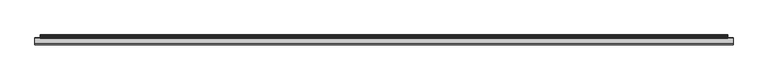
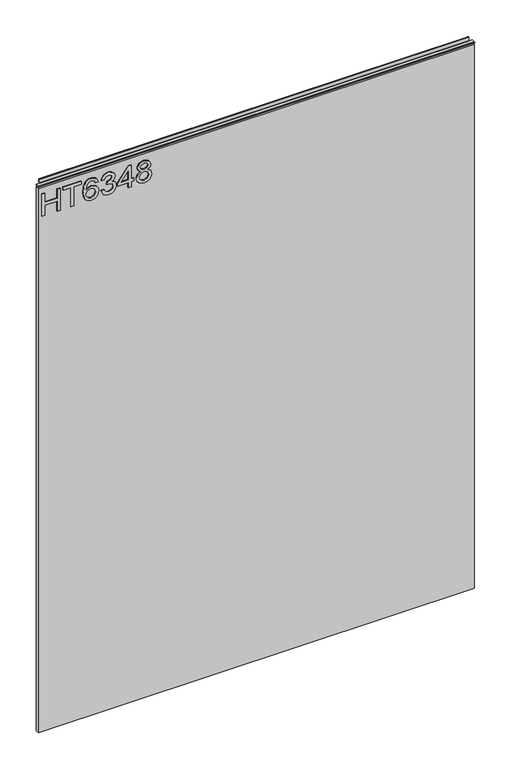
"""IFC4 building model written with IfcOpenShell, lengths in millimetres: furniture geometry."""

from ifc_helpers import new_model, si_unit, frame, origin, place, context, project, spatial, polyline, outline, extrude, source, transform, mapped, element, save


def furniture_e7bfc7d1(model_context):
    return source(origin(), model_context, "Body", "SweptSolid", [
        extrude(outline(polyline([(1611.8078, -288.5795281), (1611.8078, -280.6058085), (1641.7092486, -280.6058085), (1641.7092486, -246.7175001), (1611.8078, -246.7175001), (1611.8078, -238.7437805), (1675.5975569, -238.7437805), (1675.5975569, -246.7175001), (1649.6829682, -246.7175001), (1649.6829682, -280.6058085), (1675.5975569, -280.6058085), (1675.5975569, -288.5795281), (1611.8078, -288.5795281)])), frame((0.0, -5.6037602, 0.0), z_axis=(0.0, 1.0, 0.0), x_axis=(0.0, 0.0, 1.0)), (0.0, 0.0, 1.0), 2.38125),
        extrude(outline(polyline([(1611.8078, -208.8423319), (1611.8078, -200.8686123), (1667.6238373, -200.8686123), (1667.6238373, -179.9375983), (1675.5975569, -179.9375983), (1675.5975569, -229.7733459), (1667.6238373, -229.7733459), (1667.6238373, -208.8423319), (1611.8078, -208.8423319)])), frame((0.0, -5.6037602, 0.0), z_axis=(0.0, 1.0, 0.0), x_axis=(0.0, 0.0, 1.0)), (0.0, 0.0, 1.0), 2.38125),
        extrude(outline(polyline([(1658.6534028, -133.0919955), (1671.096766, -138.9788432), (1675.5975569, -151.5779432), (1673.7793308, -160.8325972), (1668.3246525, -167.9770189), (1657.4659103, -173.2097724), (1641.5846592, -174.9540235), (1627.4593395, -173.3830295), (1617.9749738, -168.6700472), (1612.6020572, -161.4652776), (1610.811085, -152.4189214), (1613.513117, -141.9689881), (1621.2999526, -134.727231), (1632.3027512, -132.0952806), (1640.4750351, -133.4930176), (1646.9887231, -137.6862285), (1652.673113, -151.2353224), (1650.5940279, -159.9487914), (1644.2321833, -166.9803039), (1658.4431582, -164.7143348), (1665.6927021, -159.2713367), (1667.6238373, -152.0763006), (1664.3066454, -144.0870074), (1657.6566878, -141.0657152), (1658.6534028, -133.0919955)]), holes=[polyline([(1632.4273406, -166.9803039), (1641.31212, -163.0168046), (1644.6993934, -153.3689154), (1641.31212, -143.5964367), (1632.0379988, -140.0690002), (1622.3511754, -143.6431577), (1618.7848047, -153.0418683), (1620.5056953, -160.2291175), (1625.5204174, -165.1348239), (1632.4273406, -166.9803039)])]), frame((0.0, -5.6037602, 0.0), z_axis=(0.0, 1.0, 0.0), x_axis=(0.0, 0.0, 1.0)), (0.0, 0.0, 1.0), 2.38125),
        extrude(outline(polyline([(1628.7519542, -125.1182759), (1615.8102335, -118.7797918), (1610.811085, -104.7946351), (1612.2750101, -96.2719436), (1616.6667854, -89.361127), (1623.1610063, -84.7824677), (1630.9322681, -83.2562479), (1641.3043331, -86.3086875), (1646.755118, -94.998796), (1652.0345925, -88.4578541), (1659.3853653, -86.2463928), (1667.4291664, -88.5746566), (1673.4094562, -95.3024825), (1675.5975569, -104.9192245), (1671.1590607, -117.5961928), (1658.6534028, -124.121561), (1657.6566878, -116.1478414), (1665.1320499, -112.2388499), (1667.6238373, -104.6388984), (1665.1554105, -97.1323889), (1658.9181552, -94.2201124), (1651.8788558, -98.2381196), (1649.6829682, -108.5634635), (1641.7092486, -109.4511628), (1642.5813742, -103.8602148), (1639.31869, -94.7963382), (1631.0724312, -91.2299675), (1622.320028, -94.8274856), (1618.7848047, -104.514309), (1621.3544604, -112.7449942), (1629.7486691, -117.1445563), (1628.7519542, -125.1182759)])), frame((0.0, -5.6037602, 0.0), z_axis=(0.0, 1.0, 0.0), x_axis=(0.0, 0.0, 1.0)), (0.0, 0.0, 1.0), 2.38125),
        extrude(outline(polyline([(1611.8078, -50.3646545), (1611.8078, -42.3909349), (1626.7585243, -42.3909349), (1626.7585243, -34.4172153), (1634.7322439, -34.4172153), (1634.7322439, -42.3909349), (1674.600842, -42.3909349), (1674.600842, -48.3712246), (1634.7322439, -79.2693881), (1626.7585243, -79.2693881), (1626.7585243, -50.3646545), (1611.8078, -50.3646545)]), holes=[polyline([(1634.7322439, -50.3646545), (1634.7322439, -69.4579753), (1659.3697916, -50.3646545), (1634.7322439, -50.3646545)])]), frame((0.0, -5.6037602, 0.0), z_axis=(0.0, 1.0, 0.0), x_axis=(0.0, 0.0, 1.0)), (0.0, 0.0, 1.0), 2.38125),
        extrude(outline(polyline([(1646.9420021, -15.8222519), (1641.1485964, -24.4189184), (1630.5896474, -27.4402106), (1622.8320125, -25.999646), (1616.4721145, -21.6779523), (1612.2263424, -15.0046342), (1610.811085, -6.5091966), (1612.2205023, 1.986241), (1616.448754, 8.6595591), (1630.371616, 14.4218174), (1640.6891731, 11.5173277), (1646.9420021, 3.0374638), (1651.871069, 10.1001237), (1659.3853653, 12.4283875), (1670.8787346, 7.195634), (1675.5975569, -6.6182123), (1670.9877503, -20.3074692), (1659.6033967, -25.4467807), (1651.8944295, -23.0873695), (1646.9420021, -15.8222519)]), holes=[polyline([(1659.3697916, -17.4730611), (1665.1943446, -14.5997188), (1667.6238373, -6.5091966), (1665.1398368, 1.557965), (1659.0115972, 4.4546679), (1653.0936022, 1.6514071), (1650.6796831, -6.4157546), (1653.1091758, -14.6464398), (1659.3697916, -17.4730611)]), polyline([(1630.8699735, -19.466491), (1639.3264769, -16.0947912), (1642.7059635, -6.7116543), (1639.2797559, 2.9440218), (1630.6207947, 6.4480978), (1622.1253571, 3.0530375), (1618.7848047, -6.4469019), (1620.3733191, -13.4239066), (1624.8663232, -18.1349421), (1630.8699735, -19.466491)])]), frame((0.0, -5.6037602, 0.0), z_axis=(0.0, 1.0, 0.0), x_axis=(0.0, 0.0, 1.0)), (0.0, 0.0, 1.0), 2.38125),
        extrude(outline(polyline([(5.5562561, 1701.8), (6.3500061, 1701.8), (6.3500061, 1711.67425), (7.1437561, 1712.468), (8.6677569, 1712.468), (10.0084363, 1712.0506926), (10.875413, 1710.9461816), (10.9623604, 1709.5447591), (10.2390011, 1706.5863459), (10.4046103, 1705.3833307), (11.6746103, 1703.1836103), (10.7786383, 1702.6663244), (7.1437561, 1702.6663244), (7.1437561, 1701.8), (6.3500061, 1701.5669239), (6.3500061, 1694.3578), (5.5562561, 1694.3578), (5.5562561, 1701.8)])), frame((-288.671, 0.0, 0.0), z_axis=(1.0, 0.0, 0.0), x_axis=(0.0, 1.0, 0.0)), (0.0, 0.0, 1.0), 1186.942),
        extrude(outline(polyline([(5.5562561, 1701.8), (5.5562561, 1698.6249996), (-3.975094, 1698.6249996), (-5.3492339, 1699.4183657), (-5.3492339, 1701.0066395), (-3.9751037, 1701.8), (5.5562561, 1701.8)])), frame((-298.196, 0.0, 0.0), z_axis=(1.0, 0.0, 0.0), x_axis=(0.0, 1.0, 0.0)), (0.0, 0.0, 1.0), 1205.992),
        extrude(outline(polyline([(907.796, 6.3500061), (907.796, -3.1749939), (-298.196, -3.1749939), (-298.196, 6.3500061), (907.796, 6.3500061)])), frame((0.0, 0.0, 104.69626), z_axis=(0.0, 0.0, 1.0), x_axis=(1.0, 0.0, 0.0)), (0.0, 0.0, 1.0), 1589.66154),
    ])


if __name__ == "__main__":
    model = new_model("IFC4")
    model_context = context("Model", 3, world=origin())
    ifc_project = project(units=[si_unit("LENGTHUNIT", "METRE", prefix="MILLI")], contexts=[model_context])
    site = spatial("IfcSite", under=ifc_project)
    building = spatial("IfcBuilding", under=site)
    placement = place(None, origin())
    furniture_shape = furniture_e7bfc7d1(model_context)
    element("IfcFurniture", 1, at=placement, inside=building, context=model_context, shape_type="MappedRepresentation", body=[
        mapped(furniture_shape, transform((0.0, 0.0, 0.0), x_axis=(1.0, 0.0, 0.0), y_axis=(0.0, 1.0, 0.0), z_axis=(0.0, 0.0, 1.0))),
    ])
    save(model, "model.ifc")
